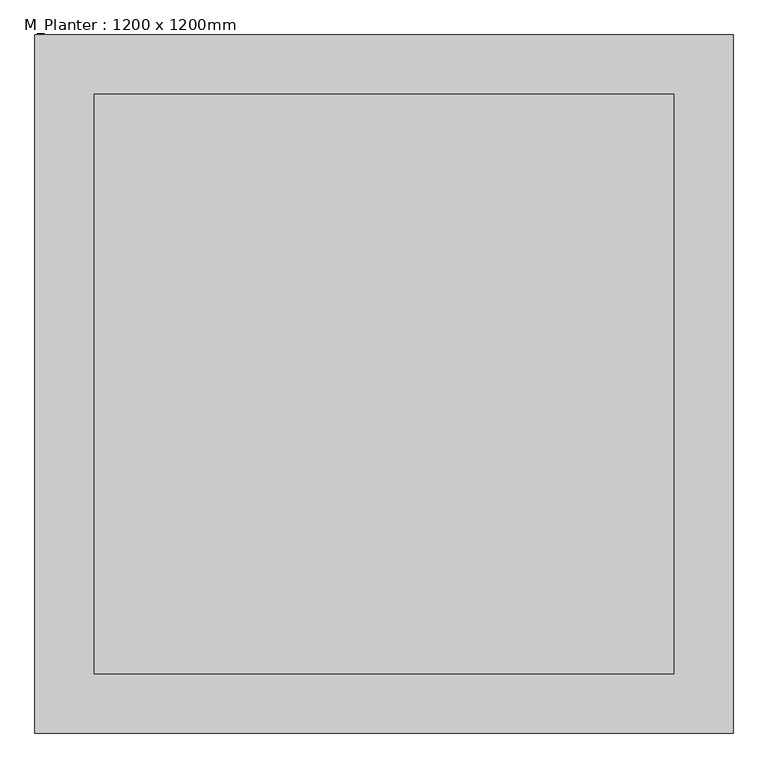
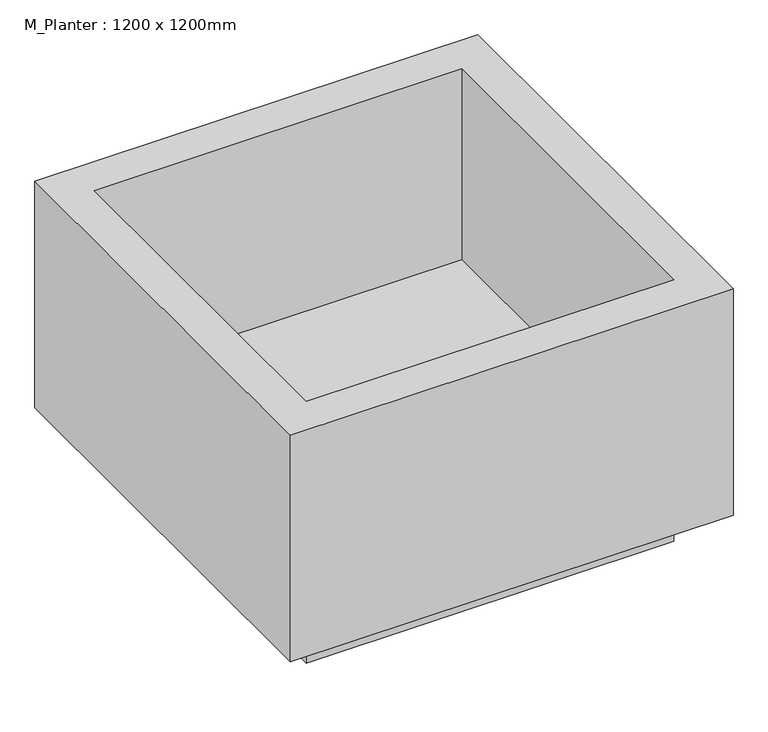
"""IFC4 building model written with IfcOpenShell, lengths in millimetres: geographic element geometry, M_Planter : 1200 x 1200mm."""

from ifc_helpers import new_model, si_unit, origin, origin_with_axes, place, context, project, spatial, polyline, outline, extrude, faceted_brep, source, transform, mapped, element, save


def m_planter_1200_x_1200mm_790e2a7f(model_context):
    return source(origin(), model_context, "Body", "SolidModel", [
        extrude(outline(polyline([(498.4, 498.4), (498.4, -498.4), (-498.4, -498.4), (-498.4, 498.4), (498.4, 498.4)])), origin_with_axes(), (0.0, 0.0, 1.0), 101.6),
        faceted_brep([(600.0, 600.0, 750.0), (-600.0, 600.0, 750.0), (-600.0, -600.0, 750.0), (600.0, -600.0, 750.0), (-498.4, 498.4, 750.0), (498.4, 498.4, 750.0), (498.4, -498.4, 750.0), (-498.4, -498.4, 750.0), (600.0, 600.0, 101.6), (600.0, -600.0, 101.6), (-600.0, -600.0, 101.6), (-600.0, 600.0, 101.6), (498.4, 498.4, 203.2), (-498.4, 498.4, 203.2), (-498.4, -498.4, 203.2), (498.4, -498.4, 203.2)], [[[0, 1, 2, 3], [4, 5, 6, 7]], [[8, 9, 10, 11]], [[1, 0, 8, 11]], [[2, 1, 11, 10]], [[3, 2, 10, 9]], [[0, 3, 9, 8]], [[12, 13, 14, 15]], [[13, 12, 5, 4]], [[14, 13, 4, 7]], [[15, 14, 7, 6]], [[12, 15, 6, 5]]]),
    ])


if __name__ == "__main__":
    model = new_model("IFC4")
    model_context = context("Model", 3, world=origin())
    ifc_project = project(units=[si_unit("LENGTHUNIT", "METRE", prefix="MILLI")], contexts=[model_context])
    site = spatial("IfcSite", under=ifc_project)
    building = spatial("IfcBuilding", under=site)
    placement = place(None, origin())
    m_planter_1200_x_1200mm_shape = m_planter_1200_x_1200mm_790e2a7f(model_context)
    element("IfcGeographicElement", 1, ObjectType="M_Planter : 1200 x 1200mm", at=placement, inside=building, context=model_context, shape_type="MappedRepresentation", body=[
        mapped(m_planter_1200_x_1200mm_shape, transform((0.0, 0.0, 0.0), x_axis=(1.0, 0.0, 0.0), y_axis=(0.0, 1.0, 0.0), z_axis=(0.0, 0.0, 1.0))),
    ])
    save(model, "model.ifc")
